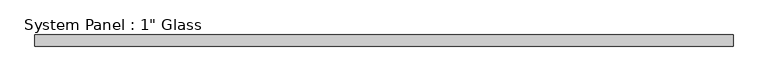
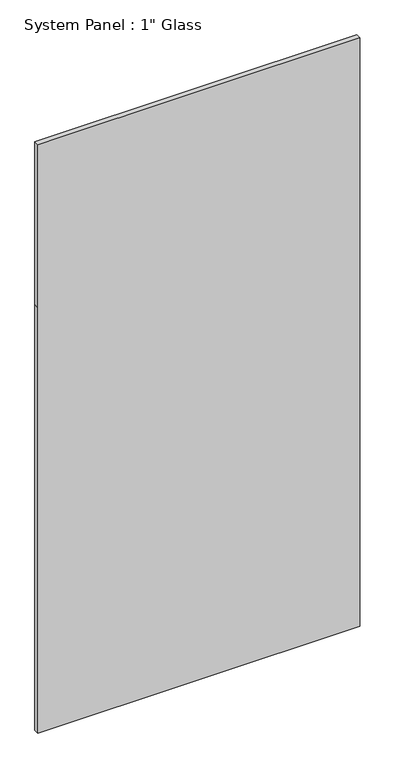
"""IFC4 building model written with IfcOpenShell, lengths in millimetres: plate geometry."""

from ifc_helpers import new_model, si_unit, frame, origin, place, context, project, spatial, polyline, outline, extrude, source, transform, mapped, element, save


def plate_282892ec(model_context):
    return source(origin(), model_context, "Body", "SweptSolid", [
        extrude(outline(polyline([(0.0, -765.6091185), (0.0, 765.6091185), (2139.95, 765.6091185), (2959.1, 765.6091185), (2959.1, -765.6091185), (2139.95, -765.6091185), (0.0, -765.6091185)])), frame((0.0, -12.7, 0.0), z_axis=(0.0, 1.0, 0.0), x_axis=(0.0, 0.0, 1.0)), (0.0, 0.0, 1.0), 25.4),
    ])


if __name__ == "__main__":
    model = new_model("IFC4")
    model_context = context("Model", 3, world=origin())
    ifc_project = project(units=[si_unit("LENGTHUNIT", "METRE", prefix="MILLI")], contexts=[model_context])
    site = spatial("IfcSite", under=ifc_project)
    building = spatial("IfcBuilding", under=site)
    placement = place(None, origin())
    plate_shape = plate_282892ec(model_context)
    element("IfcPlate", 1, ObjectType="System Panel : 1\" Glass", at=placement, inside=building, context=model_context, shape_type="MappedRepresentation", body=[
        mapped(plate_shape, transform((0.0, 0.0, 0.0), x_axis=(1.0, 0.0, 0.0), y_axis=(0.0, 1.0, 0.0), z_axis=(0.0, 0.0, 1.0))),
    ])
    save(model, "model.ifc")
